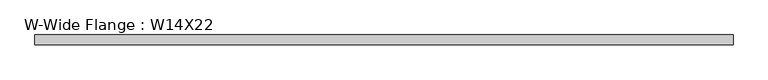
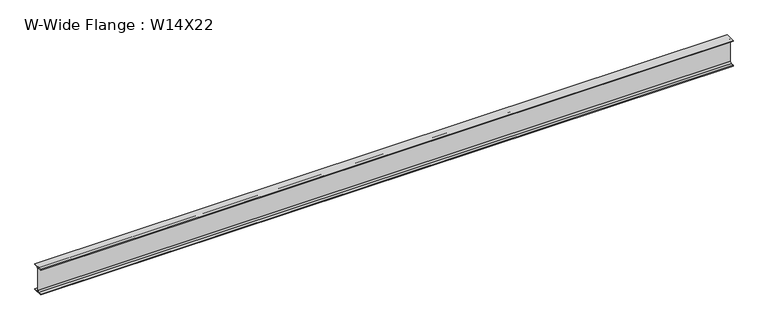
"""IFC4 building model written with IfcOpenShell, lengths in millimetres: beam geometry, W-Wide Flange : W14X22."""

from ifc_helpers import new_model, si_unit, point, frame, frame_2d, origin, place, context, project, spatial, polyline, circle_curve, trimmed, segment, composite_curve, outline, extrude, source, transform, mapped, element, save


def w_wide_flange_w14x22_55d737c9(model_context):
    return source(origin(), model_context, "Body", "SweptSolid", [
        extrude(outline(composite_curve([segment(polyline([(63.5, -165.4472656), (63.5, -173.9800781), (-63.5, -173.9800781), (-63.5, -165.4472656), (-21.3816406, -165.4472656)]), True, "CONTINUOUS"), segment(trimmed(circle_curve(frame_2d((-21.3816406, -146.9925781)), 18.4546875), [point((-21.3816406, -165.4472656))], [point((-2.9269531, -146.9925781))], True, "CARTESIAN"), True, "CONTINUOUS"), segment(polyline([(-2.9269531, -146.9925781), (-2.9269531, 146.9925781)]), True, "CONTINUOUS"), segment(trimmed(circle_curve(frame_2d((-21.3816406, 146.9925781)), 18.4546875), [point((-2.9269531, 146.9925781))], [point((-21.3816406, 165.4472656))], True, "CARTESIAN"), True, "CONTINUOUS"), segment(polyline([(-21.3816406, 165.4472656), (-63.5, 165.4472656), (-63.5, 173.9800781), (63.5, 173.9800781), (63.5, 165.4472656), (21.3816406, 165.4472656)]), True, "CONTINUOUS"), segment(trimmed(circle_curve(frame_2d((21.3816406, 146.9925781)), 18.4546875), [point((21.3816406, 165.4472656))], [point((2.9269531, 146.9925781))], True, "CARTESIAN"), True, "CONTINUOUS"), segment(polyline([(2.9269531, 146.9925781), (2.9269531, -146.9925781)]), True, "CONTINUOUS"), segment(trimmed(circle_curve(frame_2d((21.3816406, -146.9925781)), 18.4546875), [point((2.9269531, -146.9925781))], [point((21.3816406, -165.4472656))], True, "CARTESIAN"), True, "CONTINUOUS"), segment(polyline([(21.3816406, -165.4472656), (63.5, -165.4472656)]), True, "CONTINUOUS")], self_intersect=False)), frame((-4454.2769531, 0.0, 0.0), z_axis=(1.0, 0.0, 0.0), x_axis=(0.0, 1.0, 0.0)), (0.0, 0.0, 1.0), 8930.2828125),
    ])


if __name__ == "__main__":
    model = new_model("IFC4")
    model_context = context("Model", 3, world=origin())
    ifc_project = project(units=[si_unit("LENGTHUNIT", "METRE", prefix="MILLI")], contexts=[model_context])
    site = spatial("IfcSite", under=ifc_project)
    building = spatial("IfcBuilding", under=site)
    placement = place(None, origin())
    w_wide_flange_w14x22_shape = w_wide_flange_w14x22_55d737c9(model_context)
    element("IfcBeam", 1, ObjectType="W-Wide Flange : W14X22", at=placement, inside=building, context=model_context, shape_type="MappedRepresentation", body=[
        mapped(w_wide_flange_w14x22_shape, transform((0.0, 0.0, 0.0), x_axis=(1.0, 0.0, 0.0), y_axis=(0.0, 1.0, 0.0), z_axis=(0.0, 0.0, 1.0))),
    ])
    save(model, "model.ifc")
